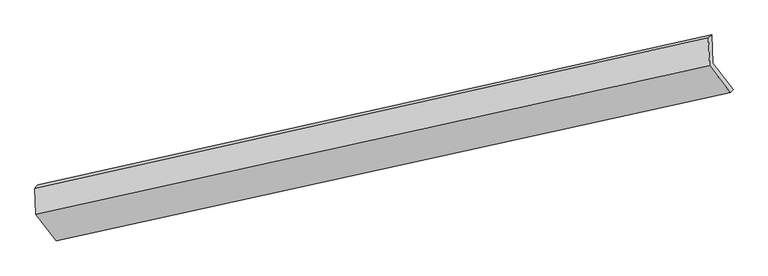
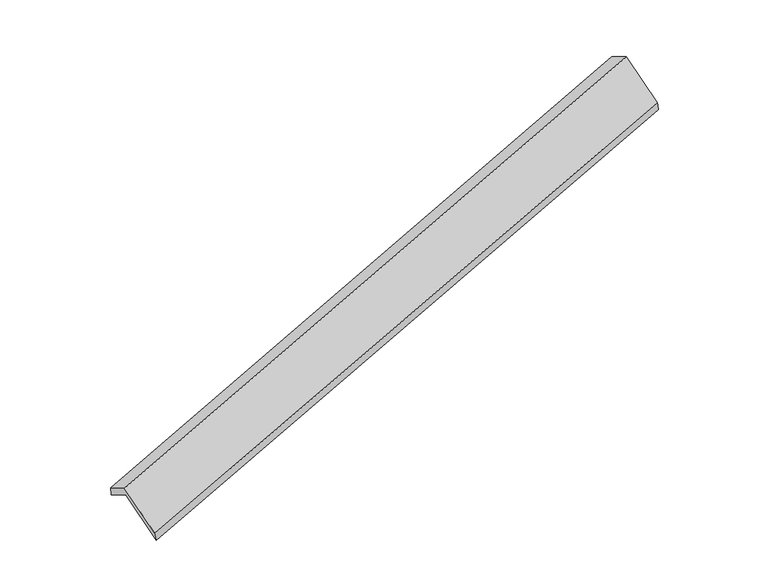
"""IFC4 building model written with IfcOpenShell, lengths in millimetres: proxy geometry."""

from ifc_helpers import new_model, si_unit, frame, origin, place, context, project, spatial, source, transform, mapped, element, save
from ifc_brep_helpers import plane_surface, spline_surface, advanced_brep


def generic_models_d3f8b1b9(model_context):
    return source(origin(), model_context, "Body", "AdvancedBrep", [
        advanced_brep(
        [(-7380.2301417, -2481.5623586, 766.1370582), (-7394.6708462, -2117.2446688, 553.2854087), (1513.0761933, -132.4448769, 3276.7174057), (1527.8589431, -505.3918664, 3494.6107008), (-7430.1056027, -2163.0873874, 701.2198657), (1470.6084582, -169.0513876, 3440.9377363), (-7416.3890347, -2509.1361831, 903.3979619), (1485.3511623, -540.9880826, 3658.2407694), (-7148.5039859, -2860.94189, 283.0715911), (1756.7527003, -897.4118935, 3029.7714618), (-7112.0340466, -2833.7765538, 145.0904147), (1796.0550382, -857.6060616, 2873.5640573)],
        [
            (0, 1),
            (1, 2),
            (2, 3),
            (3, 0),
            (1, 4),
            (4, 5),
            (5, 2),
            (4, 6),
            (6, 7),
            (7, 5),
            (6, 8),
            (8, 9),
            (9, 7),
            (8, 10),
            (10, 11),
            (11, 9),
            (10, 0),
            (3, 11),
        ],
        [
            plane_surface(frame((-7387.4504939, -2299.4035137, 659.7112334), z_axis=(0.3518330917355765, -0.4617699954491486, -0.8142370335858465), x_axis=(-0.034204533831191576, 0.8629299760409146, -0.5041645627326634))),
            spline_surface(1, 1, [[(-7394.6708462, -2117.2446688, 553.2854087), (1513.0761933, -132.4448769, 3276.7174057)], [(-7430.1056027, -2163.0873874, 701.2198657), (1470.6084582, -169.0513876, 3440.9377363)]], [2, 2], [2, 2], [0.0, 1.0], [0.0, 1.0]),
            plane_surface(frame((-7423.2473187, -2336.1117852, 802.3089138), z_axis=(-0.3537967265412243, 0.46133799110781415, 0.8136308341313773), x_axis=(0.034204533831131284, -0.8629299760408653, 0.5041645627327517))),
            plane_surface(frame((-7282.4465103, -2685.0390365, 593.2347765), z_axis=(0.03469566935723378, -0.862822158039643, 0.5043155104928531), x_axis=(0.3516489258929748, -0.46181039047152606, -0.8142936793140751))),
            spline_surface(1, 1, [[(-7148.5039859, -2860.94189, 283.0715911), (1756.7527003, -897.4118935, 3029.7714618)], [(-7112.0340466, -2833.7765538, 145.0904147), (1796.0550382, -857.6060616, 2873.5640573)]], [2, 2], [2, 2], [0.0, 1.0], [0.0, 1.0]),
            plane_surface(frame((-7246.1320941, -2657.6694562, 455.6137364), z_axis=(-0.036660109063998025, 0.8623885093880299, -0.504917909445593), x_axis=(-0.35164892589299274, 0.4618103904714397, 0.8142936793141164))),
            plane_surface(frame((1591.6170826, -517.1490281, 3295.6403552), z_axis=(0.9355068587582384, 0.20514146266073174, 0.287652390071262), x_axis=(0.2368731426711535, 0.2399076743625744, -0.9414538873800631))),
            plane_surface(frame((-7313.6556096, -2494.2915069, 558.7003834), z_axis=(-0.935506858758235, -0.2051414626608301, -0.2876523900712023), x_axis=(0.35164892589299107, -0.4618103904714474, -0.8142936793141127))),
        ],
        [
            (0, [[1, 2, 3, 4]]),
            (1, [[5, 6, 7, -2]]),
            (2, [[8, 9, 10, -6]]),
            (3, [[11, 12, 13, -9]]),
            (4, [[14, 15, 16, -12]]),
            (5, [[17, -4, 18, -15]]),
            (6, [[-16, -18, -3, -7, -10, -13]]),
            (7, [[-17, -14, -11, -8, -5, -1]]),
        ],
    ),
    ])


if __name__ == "__main__":
    model = new_model("IFC4")
    model_context = context("Model", 3, world=origin())
    ifc_project = project(units=[si_unit("LENGTHUNIT", "METRE", prefix="MILLI")], contexts=[model_context])
    site = spatial("IfcSite", under=ifc_project)
    building = spatial("IfcBuilding", under=site)
    placement = place(None, origin())
    generic_models_shape = generic_models_d3f8b1b9(model_context)
    element("IfcBuildingElementProxy", 1, Name="Generic Models", at=placement, inside=building, context=model_context, shape_type="MappedRepresentation", body=[
        mapped(generic_models_shape, transform((0.0, 0.0, 0.0), x_axis=(1.0, 0.0, 0.0), y_axis=(0.0, 1.0, 0.0), z_axis=(0.0, 0.0, 1.0))),
    ])
    save(model, "model.ifc")
